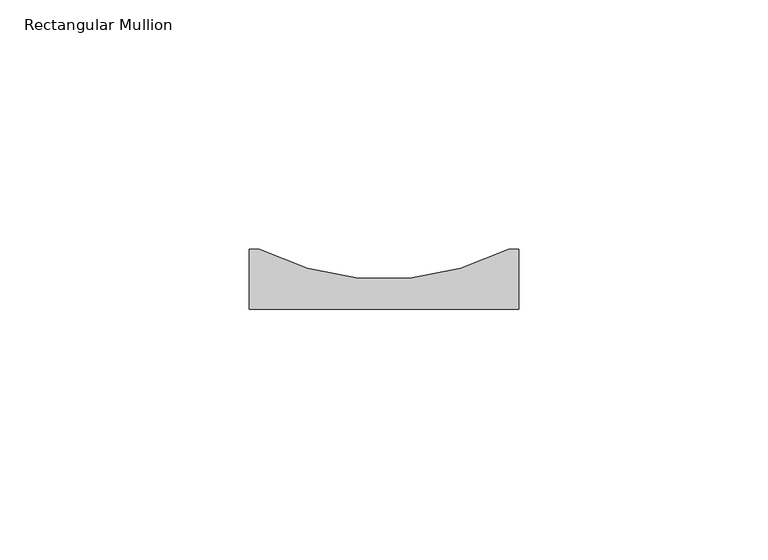
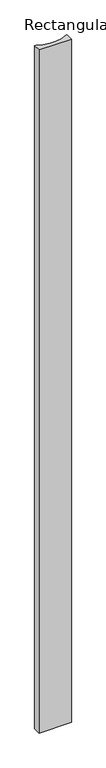
"""IFC4 building model written with IfcOpenShell, lengths in millimetres: member geometry, Rectangular Mullion."""

from ifc_helpers import new_model, si_unit, point, frame, frame_2d, origin, place, context, project, spatial, polyline, circle_curve, trimmed, segment, composite_curve, outline, extrude, source, transform, mapped, element, save


def rectangular_mullion_8f65228c(model_context):
    return source(origin(), model_context, "Body", "SweptSolid", [
        extrude(outline(composite_curve([segment(polyline([(-27.0, 12.0), (-25.0, 12.0)]), True, "CONTINUOUS"), segment(trimmed(circle_curve(frame_2d((0.0, 61.0833333)), 55.0833333), [point((-25.0, 12.0))], [point((25.0, 12.0))], True, "CARTESIAN"), True, "CONTINUOUS"), segment(polyline([(25.0, 12.0), (27.0, 12.0), (27.0, 0.0), (-27.0, 0.0), (-27.0, 12.0)]), True, "CONTINUOUS")], self_intersect=False)), frame((0.0, 0.0, -1200.0), z_axis=(0.0, 0.0, 1.0), x_axis=(1.0, 0.0, 0.0)), (0.0, 0.0, 1.0), 1200.0),
    ])


if __name__ == "__main__":
    model = new_model("IFC4")
    model_context = context("Model", 3, world=origin())
    ifc_project = project(units=[si_unit("LENGTHUNIT", "METRE", prefix="MILLI")], contexts=[model_context])
    site = spatial("IfcSite", under=ifc_project)
    building = spatial("IfcBuilding", under=site)
    placement = place(None, origin())
    rectangular_mullion_shape = rectangular_mullion_8f65228c(model_context)
    element("IfcMember", 1, ObjectType="Rectangular Mullion", at=placement, inside=building, context=model_context, shape_type="MappedRepresentation", body=[
        mapped(rectangular_mullion_shape, transform((0.0, 0.0, 0.0), x_axis=(1.0, 0.0, 0.0), y_axis=(0.0, 1.0, 0.0), z_axis=(0.0, 0.0, 1.0))),
    ])
    save(model, "model.ifc")
